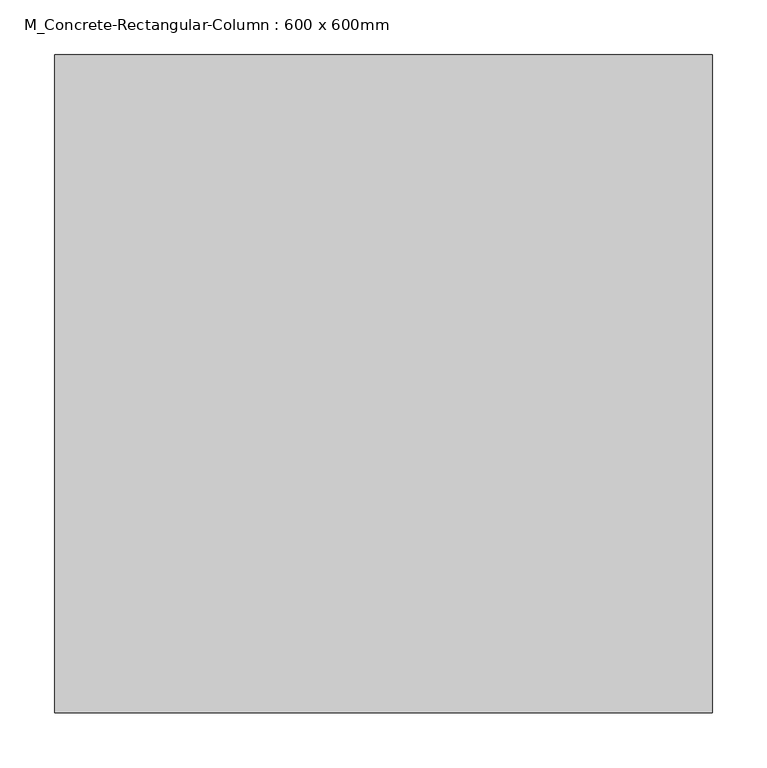
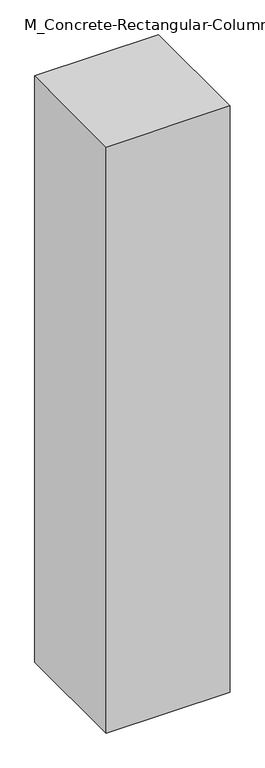
"""IFC4 building model written with IfcOpenShell, lengths in millimetres: column geometry, M_Concrete-Rectangular-Column : 600 x 600mm."""

from ifc_helpers import new_model, si_unit, frame, origin, place, context, project, spatial, polyline, outline, extrude, source, transform, mapped, element, save


def m_concrete_rectangular_column_600_x_600mm_9b89b76c(model_context):
    return source(origin(), model_context, "Body", "SweptSolid", [
        extrude(outline(polyline([(300.0, 300.0), (300.0, -300.0), (-300.0, -300.0), (-300.0, 300.0), (300.0, 300.0)])), frame((0.0, 0.0, -3000.0), z_axis=(0.0, 0.0, 1.0), x_axis=(1.0, 0.0, 0.0)), (0.0, 0.0, 1.0), 3000.0),
    ])


if __name__ == "__main__":
    model = new_model("IFC4")
    model_context = context("Model", 3, world=origin())
    ifc_project = project(units=[si_unit("LENGTHUNIT", "METRE", prefix="MILLI")], contexts=[model_context])
    site = spatial("IfcSite", under=ifc_project)
    building = spatial("IfcBuilding", under=site)
    placement = place(None, origin())
    m_concrete_rectangular_column_600_x_600mm_shape = m_concrete_rectangular_column_600_x_600mm_9b89b76c(model_context)
    element("IfcColumn", 1, ObjectType="M_Concrete-Rectangular-Column : 600 x 600mm", at=placement, inside=building, context=model_context, shape_type="MappedRepresentation", body=[
        mapped(m_concrete_rectangular_column_600_x_600mm_shape, transform((0.0, 0.0, 0.0), x_axis=(1.0, 0.0, 0.0), y_axis=(0.0, 1.0, 0.0), z_axis=(0.0, 0.0, 1.0))),
    ])
    save(model, "model.ifc")
